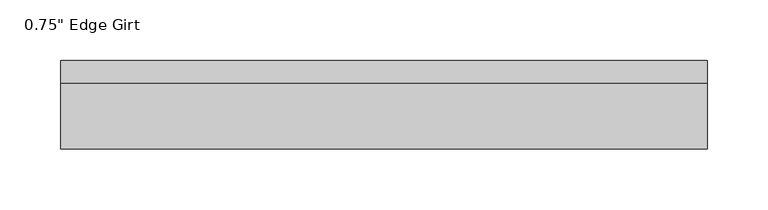
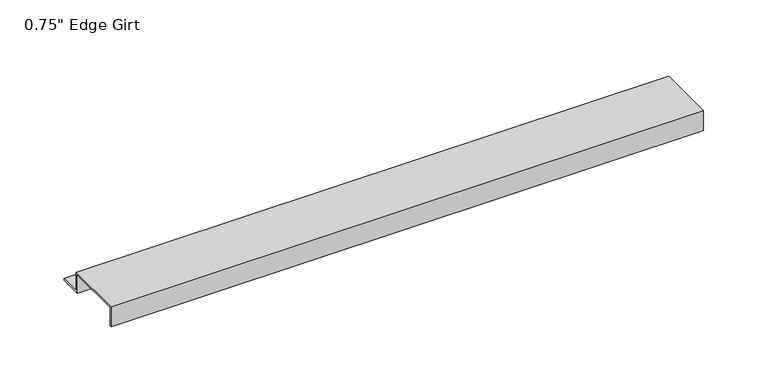
"""IFC4 building model written with IfcOpenShell, lengths in millimetres: proxy geometry."""

from ifc_helpers import new_model, si_unit, frame, origin, place, context, project, spatial, polyline, outline, extrude, source, transform, mapped, element, save


def proxy_5644ef87(model_context):
    return source(origin(), model_context, "Body", "SweptSolid", [
        extrude(outline(polyline([(46.0559645, -17.4375), (25.4, -17.4375), (25.4, 0.0), (-25.4, 0.0), (-25.4, -17.4375), (-27.0129, -17.4375), (-27.0129, 1.6129), (27.0129, 1.6129), (27.0129, -15.8242), (46.0559645, -15.8242), (46.0559645, -17.4375)])), frame((0.0, 0.0, 0.0), z_axis=(1.0, 0.0, 0.0), x_axis=(0.0, 1.0, 0.0)), (0.0, 0.0, 1.0), 532.733959),
    ])


if __name__ == "__main__":
    model = new_model("IFC4")
    model_context = context("Model", 3, world=origin())
    ifc_project = project(units=[si_unit("LENGTHUNIT", "METRE", prefix="MILLI")], contexts=[model_context])
    site = spatial("IfcSite", under=ifc_project)
    building = spatial("IfcBuilding", under=site)
    placement = place(None, origin())
    proxy_shape = proxy_5644ef87(model_context)
    element("IfcBuildingElementProxy", 1, Name="0.75\" Edge Girt", ObjectType="0.75\" Edge Girt", at=placement, inside=building, context=model_context, shape_type="MappedRepresentation", body=[
        mapped(proxy_shape, transform((0.0, 0.0, 0.0), x_axis=(1.0, 0.0, 0.0), y_axis=(0.0, 1.0, 0.0), z_axis=(0.0, 0.0, 1.0))),
    ])
    save(model, "model.ifc")
